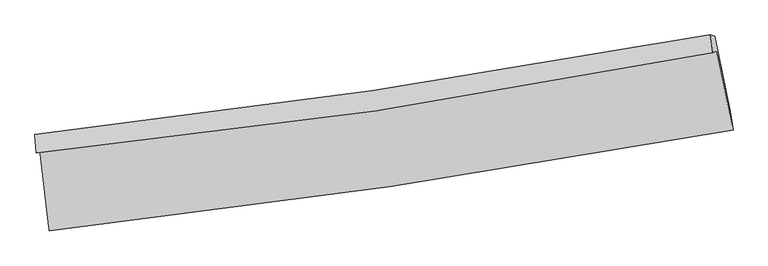
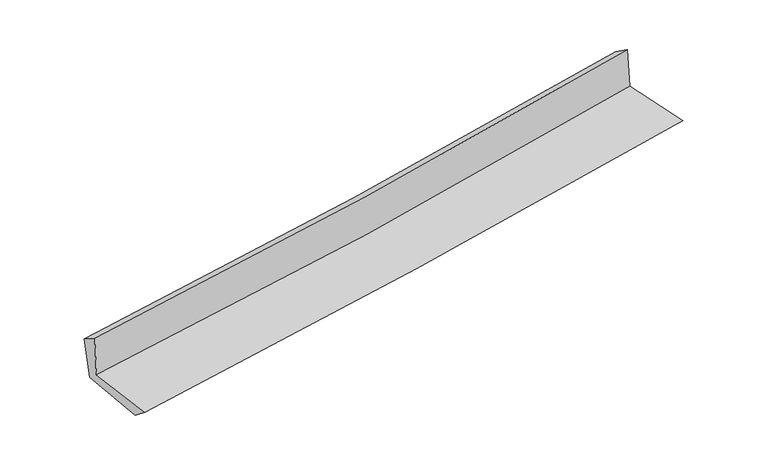
"""IFC4 building model written with IfcOpenShell, lengths in millimetres: proxy geometry."""

from ifc_helpers import new_model, si_unit, frame, origin, place, context, project, spatial, source, transform, mapped, element, save
from ifc_brep_helpers import plane_surface, spline_curve, spline_surface, advanced_brep


def generic_models_7278bbde(model_context):
    return source(origin(), model_context, "Body", "AdvancedBrep", [
        advanced_brep(
        [(-2837.487142, -1884.7027871, 1641.7872881), (-2758.4035671, -2560.0519622, 1641.3888084), (2920.0507752, -1721.6303335, 2124.8280733), (2785.1841103, -1063.2592858, 2123.0850452), (-2868.247114, -1912.2142275, 2039.6077386), (2753.1322202, -1077.9181765, 2518.4180033), (-2878.2578601, -1754.875088, 1941.1976856), (2731.6490659, -927.8515689, 2413.6248265), (-2842.3555203, -1779.3408867, 1554.400499), (2766.1903576, -937.5354969, 2046.5159503), (-2765.9190713, -2408.1042951, 1521.1541162), (2898.08444, -1566.4478449, 2013.6523702)],
        [
            (0, 1),
            (1, 2, spline_curve(3, [(-2758.4035671, -2560.0519622, 1641.3888084), (-1809.655286179, -2453.001645269, 1725.97208354), (-863.07663455, -2329.790733941, 1808.469234672), (1029.759983, -2050.454680826, 1969.633447556), (1975.999445405, -1894.191715704, 2048.282718026), (2920.0507752, -1721.6303335, 2124.8280733)], [4, 2, 4], [0.0, 9.384127669281687, 18.808185911284646])),
            (2, 3),
            (3, 0, spline_curve(3, [(2785.1841103, -1063.2592858, 2123.0850452), (1852.04582487, -1239.648666745, 2039.486123169), (915.919650683, -1396.400709677, 1957.496774568), (-958.329366494, -1670.049152326, 1797.077799688), (-1896.426942804, -1787.111609862, 1718.634562719), (-2837.487142, -1884.7027871, 1641.7872881)], [4, 2, 4], [0.0, 9.424058242002959, 18.808185911284646])),
            (4, 0),
            (3, 5),
            (5, 4, spline_curve(3, [(2753.1322202, -1077.9181765, 2518.4180033), (1820.485858056, -1260.913621998, 2442.435809534), (884.713240608, -1422.037283396, 2364.45491178), (-989.1063072, -1699.95101422, 2204.834588705), (-1927.126801101, -1816.926036635, 2123.212064959), (-2868.247114, -1912.2142275, 2039.6077386)], [4, 2, 4], [0.0, 9.37768020951852, 18.715626354163156])),
            (6, 4),
            (5, 7),
            (7, 6, spline_curve(3, [(2731.6490659, -927.8515689, 2413.6248265), (1799.114380395, -1098.117931675, 2337.254274134), (864.357580605, -1252.281942956, 2259.613797191), (-1005.630185631, -1527.820284513, 2102.127344996), (-1940.84236091, -1649.330779222, 2022.292108059), (-2878.2578601, -1754.875088, 1941.1976856)], [4, 2, 4], [0.0, 9.36697117082934, 18.694253651933927])),
            (8, 6),
            (7, 9),
            (9, 8, spline_curve(3, [(2766.1903576, -937.5354969, 2046.5159503), (1835.651348585, -1114.597635077, 1957.07755209), (902.004171153, -1273.389379094, 1871.269357753), (-967.53740486, -1553.836676853, 1707.2615719), (-1903.405520122, -1675.6467296, 1629.031282362), (-2842.3555203, -1779.3408867, 1554.400499)], [4, 2, 4], [0.0, 9.357968415890904, 18.676286287530218])),
            (10, 8),
            (9, 11),
            (11, 10, spline_curve(3, [(2898.08444, -1566.4478449, 2013.6523702), (1957.089059237, -1741.207208304, 1932.214372831), (1013.583682502, -1898.837544811, 1850.365850737), (-874.438713249, -2179.244848245, 1686.196294362), (-1818.934506542, -2302.16666156, 1603.878732146), (-2765.9190713, -2408.1042951, 1521.1541162)], [4, 2, 4], [0.0, 9.405072249093351, 18.770294370805548])),
            (1, 10),
            (11, 2),
        ],
        [
            spline_surface(3, 3, [[(-2837.487142, -1884.7027871, 1641.7872881), (-1896.42694285, -1787.111609866, 1718.63456277), (-958.329366415, -1670.049152341, 1797.077799741), (915.919650603, -1396.400709662, 1957.496774515), (1852.045824955, -1239.648666738, 2039.48612327), (2785.1841103, -1063.2592858, 2123.0850452)], [(-2811.125950389, -2109.81917881, 1641.654461532), (-1867.50305733, -2009.074954985, 1721.080403032), (-926.578455759, -1889.963012878, 1800.874944742), (953.86642807, -1614.418700039, 1961.542332201), (1893.363698403, -1457.829683092, 2042.41832154), (2830.139665263, -1282.716301693, 2123.666054597)], [(-2784.764758711, -2334.93557049, 1641.521634968), (-1838.579171742, -2231.038300073, 1723.526243297), (-894.827545156, -2109.876873426, 1804.672089698), (991.813205483, -1832.436690426, 1965.587889843), (1934.681571861, -1676.010699465, 2045.350519718), (2875.095220237, -1502.173317607, 2124.247063903)], [(-2758.4035671, -2560.0519622, 1641.3888084), (-1809.655286222, -2453.001645193, 1725.972083559), (-863.0766345, -2329.790733963, 1808.469234698), (1029.759982949, -2050.454680803, 1969.633447529), (1975.999445309, -1894.191715818, 2048.282717987), (2920.0507752, -1721.6303335, 2124.8280733)]], [4, 4], [4, 2, 4], [0.0, 2.1826230826676403], [0.0, 9.384127669281687, 18.808185911284646]),
            spline_surface(3, 3, [[(-2868.247114, -1912.2142275, 2039.6077386), (-1927.126801039, -1816.926036693, 2123.212064931), (-989.106307162, -1699.951014285, 2204.834588719), (884.713240569, -1422.037283331, 2364.454911765), (1820.485858067, -1260.913622103, 2442.435809568), (2753.1322202, -1077.9181765, 2518.4180033)], [(-2857.993789981, -1903.043747338, 1907.000921765), (-1916.893514957, -1806.987894389, 1988.352897542), (-978.847326923, -1689.983726983, 2068.915659067), (895.115377237, -1413.491758788, 2228.802199355), (1831.005847027, -1253.825303642, 2308.119247465), (2763.816183563, -1073.031879594, 2386.640350597)], [(-2847.740466019, -1893.873267262, 1774.394104935), (-1906.660228932, -1797.04975217, 1853.493730159), (-968.588346654, -1680.016439643, 1932.996729394), (905.517513935, -1404.946234206, 2093.149486925), (1841.525835996, -1246.736985199, 2173.802685373), (2774.500146937, -1068.145582706, 2254.862697903)], [(-2837.487142, -1884.7027871, 1641.7872881), (-1896.42694285, -1787.111609866, 1718.63456277), (-958.329366415, -1670.049152341, 1797.077799741), (915.919650603, -1396.400709662, 1957.496774515), (1852.045824955, -1239.648666738, 2039.48612327), (2785.1841103, -1063.2592858, 2123.0850452)]], [4, 4], [4, 2, 4], [0.0, 1.3434222030330667], [0.0, 9.337946144644636, 18.715626354163156]),
            spline_surface(3, 3, [[(-2878.2578601, -1754.875088, 1941.1976856), (-1940.842360945, -1649.330779196, 2022.292108126), (-1005.630185522, -1527.820284375, 2102.127344895), (864.357580495, -1252.281943094, 2259.613797292), (1799.114380438, -1098.117931582, 2337.254274164), (2731.6490659, -927.8515689, 2413.6248265)], [(-2874.920944762, -1807.321467832, 1974.001036604), (-1936.270507672, -1705.195865028, 2055.932093732), (-1000.122226057, -1585.197194321, 2136.363092831), (871.142800531, -1308.867056482, 2294.560835444), (1806.238206315, -1152.383161757, 2372.314785961), (2738.810117334, -977.873771434, 2448.555885429)], [(-2871.584029338, -1859.767847668, 2006.804387596), (-1931.698654313, -1761.060950862, 2089.572079325), (-994.614266627, -1642.574104339, 2170.598840783), (877.928020533, -1365.452169943, 2329.507873613), (1813.36203219, -1206.648391929, 2407.37529777), (2745.971168766, -1027.895973966, 2483.486944371)], [(-2868.247114, -1912.2142275, 2039.6077386), (-1927.126801039, -1816.926036693, 2123.212064931), (-989.106307162, -1699.951014285, 2204.834588719), (884.713240569, -1422.037283331, 2364.454911765), (1820.485858067, -1260.913622103, 2442.435809568), (2753.1322202, -1077.9181765, 2518.4180033)]], [4, 4], [4, 2, 4], [0.0, 0.6588700414423387], [0.0, 9.327282481104588, 18.694253651933927]),
            spline_surface(3, 3, [[(-2842.3555203, -1779.3408867, 1554.400499), (-1903.405520073, -1675.646729656, 1629.031282495), (-967.53740485, -1553.836676997, 1707.261571853), (902.004171143, -1273.38937895, 1871.269357801), (1835.651348577, -1114.597635027, 1957.07755221), (2766.1903576, -937.5354969, 2046.5159503)], [(-2854.322966895, -1771.185620469, 1683.332894529), (-1915.884467026, -1666.874746172, 1760.118224368), (-980.23499842, -1545.164546123, 1838.88349619), (889.455307581, -1266.353566998, 2000.717504288), (1823.472359197, -1109.10440054, 2083.803126186), (2754.6765937, -934.307520895, 2168.885575692)], [(-2866.290413505, -1763.030354231, 1812.265290071), (-1928.363413992, -1658.102762681, 1891.205166253), (-992.932591952, -1536.492415249, 1970.505420558), (876.906444057, -1259.317755046, 2130.165650805), (1811.293369818, -1103.61116607, 2210.528700187), (2743.1628298, -931.079544905, 2291.255201108)], [(-2878.2578601, -1754.875088, 1941.1976856), (-1940.842360945, -1649.330779196, 2022.292108126), (-1005.630185522, -1527.820284375, 2102.127344895), (864.357580495, -1252.281943094, 2259.613797292), (1799.114380438, -1098.117931582, 2337.254274164), (2731.6490659, -927.8515689, 2413.6248265)]], [4, 4], [4, 2, 4], [0.0, 1.2930521181358106], [0.0, 9.318317871639314, 18.676286287530218]),
            spline_surface(3, 3, [[(-2765.9190713, -2408.1042951, 1521.1541162), (-1818.934506566, -2302.166661533, 1603.878732176), (-874.43871314, -2179.244848104, 1686.19629446), (1013.583682393, -1898.837544953, 1850.365850639), (1957.089059388, -1741.207208289, 1932.214372984), (2898.08444, -1566.4478449, 2013.6523702)], [(-2791.397887631, -2198.516492318, 1532.236243811), (-1847.091511066, -2093.326684259, 1612.262915627), (-905.47161039, -1970.775457752, 1693.218053598), (976.390511964, -1690.354822969, 1857.333686367), (1916.609822435, -1532.337350531, 1940.502099385), (2854.119745851, -1356.810395563, 2024.606896892)], [(-2816.876703969, -1988.928689482, 1543.318371389), (-1875.248515573, -1884.48670693, 1620.647099044), (-936.5045076, -1762.306067349, 1700.239812715), (939.197341572, -1481.872100934, 1864.301522073), (1876.13058553, -1323.467492785, 1948.789825809), (2810.155051749, -1147.172946237, 2035.561423608)], [(-2842.3555203, -1779.3408867, 1554.400499), (-1903.405520073, -1675.646729656, 1629.031282495), (-967.53740485, -1553.836676997, 1707.261571853), (902.004171143, -1273.38937895, 1871.269357801), (1835.651348577, -1114.597635027, 1957.07755221), (2766.1903576, -937.5354969, 2046.5159503)]], [4, 4], [4, 2, 4], [0.0, 2.080378941238512], [0.0, 9.365222121712197, 18.770294370805548]),
            spline_surface(3, 3, [[(-2758.4035671, -2560.0519622, 1641.3888084), (-1809.655286222, -2453.001645193, 1725.972083559), (-863.0766345, -2329.790733963, 1808.469234698), (1029.759982949, -2050.454680803, 1969.633447529), (1975.999445309, -1894.191715818, 2048.282717987), (2920.0507752, -1721.6303335, 2124.8280733)], [(-2760.908735142, -2509.402739832, 1601.310577659), (-1812.748359645, -2402.723317305, 1685.274299757), (-866.86399404, -2279.608772009, 1767.711587939), (1024.36788277, -1999.915635518, 1929.877581886), (1969.695983358, -1843.196879996, 2009.593269646), (2912.728663489, -1669.902837321, 2087.769505593)], [(-2763.413903258, -2458.753517468, 1561.232346941), (-1815.841433143, -2352.444989421, 1644.576515979), (-870.6513536, -2229.426810059, 1726.95394122), (1018.975782572, -1949.376590238, 1890.121716282), (1963.39252134, -1792.20204411, 1970.903821326), (2905.406551711, -1618.175341079, 2050.710937907)], [(-2765.9190713, -2408.1042951, 1521.1541162), (-1818.934506566, -2302.166661533, 1603.878732176), (-874.43871314, -2179.244848104, 1686.19629446), (1013.583682393, -1898.837544953, 1850.365850639), (1957.089059388, -1741.207208289, 1932.214372984), (2898.08444, -1566.4478449, 2013.6523702)]], [4, 4], [4, 2, 4], [0.0, 0.6361792792432541], [0.0, 9.42036530532537, 18.880815378797767]),
            plane_surface(frame((2809.0484949, -1215.7737844, 2206.6873781), z_axis=(0.9759356084732046, 0.2001485841010308, 0.08654612871982685), x_axis=(-0.0936440167969895, 0.026253850773663455, 0.9952595306942202))),
            plane_surface(frame((-2825.1117125, -2049.8815411, 1723.2560226), z_axis=(-0.9896642071444061, -0.11584007438784384, -0.08453303651859032), x_axis=(-0.11630555252464636, 0.9932133079152559, 0.0005860306921026374))),
        ],
        [
            (0, [[1, 2, 3, 4]]),
            (1, [[5, -4, 6, 7]]),
            (2, [[8, -7, 9, 10]]),
            (3, [[11, -10, 12, 13]]),
            (4, [[14, -13, 15, 16]]),
            (5, [[17, -16, 18, -2]]),
            (6, [[-12, -9, -6, -3, -18, -15]]),
            (7, [[-1, -5, -8, -11, -14, -17]]),
        ],
    ),
    ])


if __name__ == "__main__":
    model = new_model("IFC4")
    model_context = context("Model", 3, world=origin())
    ifc_project = project(units=[si_unit("LENGTHUNIT", "METRE", prefix="MILLI")], contexts=[model_context])
    site = spatial("IfcSite", under=ifc_project)
    building = spatial("IfcBuilding", under=site)
    placement = place(None, origin())
    generic_models_shape = generic_models_7278bbde(model_context)
    element("IfcBuildingElementProxy", 1, Name="Generic Models", at=placement, inside=building, context=model_context, shape_type="MappedRepresentation", body=[
        mapped(generic_models_shape, transform((0.0, 0.0, 0.0), x_axis=(1.0, 0.0, 0.0), y_axis=(0.0, 1.0, 0.0), z_axis=(0.0, 0.0, 1.0))),
    ])
    save(model, "model.ifc")
